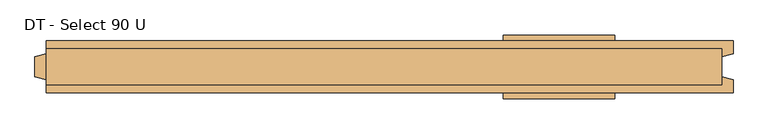
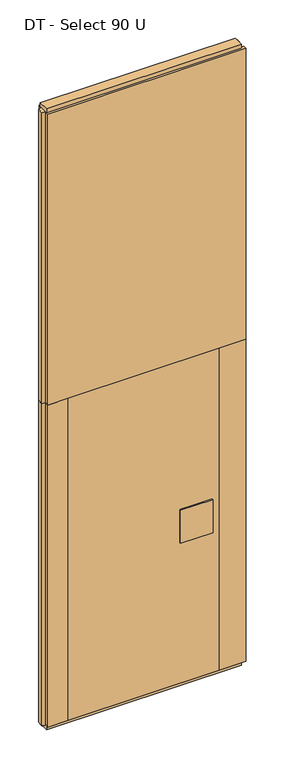
"""IFC4 building model written with IfcOpenShell, lengths in millimetres: door geometry, DT - Select 90 U."""

from ifc_helpers import new_model, si_unit, frame, origin, origin_with_axes, place, context, project, spatial, polyline, outline, extrude, source, transform, mapped, element, save


def dt_select_90_u_ff227b4c(model_context):
    return source(origin(), model_context, "Body", "SweptSolid", [
        extrude(outline(polyline([(-460.0, -46.0), (-460.0, 46.0), (460.0, 46.0), (460.0, -46.0), (-460.0, -46.0)])), frame((0.0, 0.0, 25.0), z_axis=(0.0, 0.0, 1.0), x_axis=(1.0, 0.0, 0.0)), (0.0, 0.0, 1.0), 2075.0),
        extrude(outline(polyline([(219.7719698, -56.0), (219.7719698, -46.0), (416.7719698, -46.0), (416.7719698, -56.0), (219.7719698, -56.0)])), frame((0.0, 0.0, 934.0), z_axis=(0.0, 0.0, 1.0), x_axis=(1.0, 0.0, 0.0)), (0.0, 0.0, 1.0), 212.0),
        extrude(outline(polyline([(219.7719698, 46.0), (219.7719698, 56.0), (416.7719698, 56.0), (416.7719698, 46.0), (219.7719698, 46.0)])), frame((0.0, 0.0, 934.0), z_axis=(0.0, 0.0, 1.0), x_axis=(1.0, 0.0, 0.0)), (0.0, 0.0, 1.0), 212.0),
        extrude(outline(polyline([(605.0, 32.0), (605.0, -32.0), (-585.0, -32.0), (-585.0, 32.0), (605.0, 32.0)])), origin_with_axes(), (0.0, 0.0, 1.0), 25.0),
        extrude(outline(polyline([(605.0, 32.0), (605.0, -32.0), (-585.0, -32.0), (-585.0, 32.0), (605.0, 32.0)])), frame((0.0, 0.0, 3975.0), z_axis=(0.0, 0.0, 1.0), x_axis=(1.0, 0.0, 0.0)), (0.0, 0.0, 1.0), 25.0),
        extrude(outline(polyline([(625.0, -46.0), (460.0, -46.0), (460.0, 46.0), (625.0, 46.0), (625.0, 23.0), (605.0, 17.6410162), (605.0, -17.6410162), (625.0, -23.0), (625.0, -46.0)])), frame((0.0, 0.0, 25.0), z_axis=(0.0, 0.0, 1.0), x_axis=(1.0, 0.0, 0.0)), (0.0, 0.0, 1.0), 2075.0),
        extrude(outline(polyline([(-585.0, -46.0), (-585.0, -23.0), (-605.0, -17.6410162), (-605.0, 17.6410162), (-585.0, 23.0), (-585.0, 46.0), (-460.0, 46.0), (-460.0, -46.0), (-585.0, -46.0)])), frame((0.0, 0.0, 25.0), z_axis=(0.0, 0.0, 1.0), x_axis=(1.0, 0.0, 0.0)), (0.0, 0.0, 1.0), 2075.0),
        extrude(outline(polyline([(625.0, 46.0), (625.0, 23.0), (605.0, 17.6410162), (605.0, -17.6410162), (625.0, -23.0), (625.0, -46.0), (-585.0, -46.0), (-585.0, -23.0), (-605.0, -17.6410162), (-605.0, 17.6410162), (-585.0, 23.0), (-585.0, 46.0), (625.0, 46.0)])), frame((0.0, 0.0, 2100.0), z_axis=(0.0, 0.0, 1.0), x_axis=(1.0, 0.0, 0.0)), (0.0, 0.0, 1.0), 1875.0),
    ])


if __name__ == "__main__":
    model = new_model("IFC4")
    model_context = context("Model", 3, world=origin())
    ifc_project = project(units=[si_unit("LENGTHUNIT", "METRE", prefix="MILLI")], contexts=[model_context])
    site = spatial("IfcSite", under=ifc_project)
    building = spatial("IfcBuilding", under=site)
    placement = place(None, origin())
    dt_select_90_u_shape = dt_select_90_u_ff227b4c(model_context)
    element("IfcDoor", 1, ObjectType="DT - Select 90 U", at=placement, inside=building, context=model_context, shape_type="MappedRepresentation", body=[
        mapped(dt_select_90_u_shape, transform((0.0, 0.0, 0.0), x_axis=(1.0, 0.0, 0.0), y_axis=(0.0, 1.0, 0.0), z_axis=(0.0, 0.0, 1.0))),
    ])
    save(model, "model.ifc")
